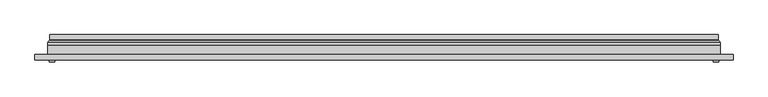
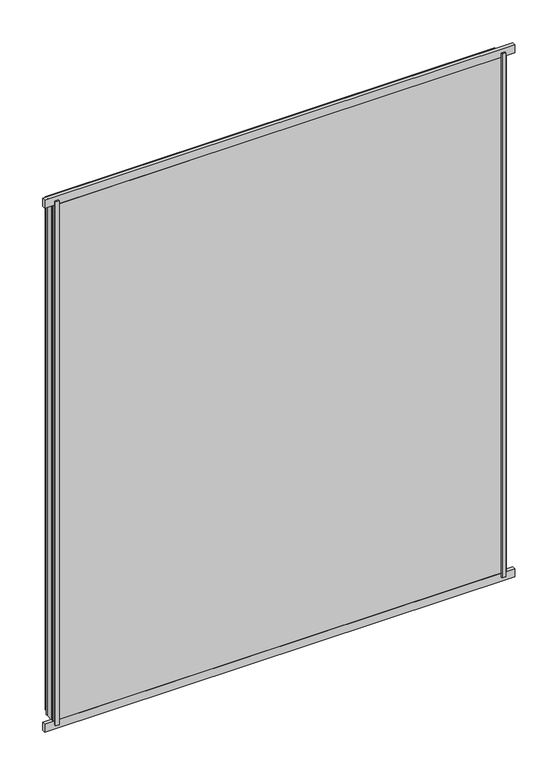
"""IFC4 building model written with IfcOpenShell, lengths in millimetres: plate geometry."""

from ifc_helpers import new_model, si_unit, frame, origin, origin_with_axes, place, context, project, spatial, polyline, ellipse_curve, outline, extrude, source, transform, mapped, element, save
from ifc_brep_helpers import plane_surface, cylinder_surface, revolved_surface, advanced_brep


def plate_3bdf8595(model_context):
    return source(origin(), model_context, "Body", "SolidModel", [
        extrude(outline(polyline([(600.0, -23.0), (610.0, -23.0), (610.0, -27.0), (600.0, -27.0), (600.0, -23.0)])), origin_with_axes(), (0.0, 0.0, 1.0), 1500.0),
        extrude(outline(polyline([(-600.0, -23.0), (-600.0, -27.0), (-610.0, -27.0), (-610.0, -23.0), (-600.0, -23.0)])), origin_with_axes(), (0.0, 0.0, 1.0), 1500.0),
        extrude(outline(polyline([(636.5, -23.0), (-636.5, -23.0), (-636.5, -13.51), (636.5, -13.51), (636.5, -23.0)])), frame((0.0, 0.0, -11.5), z_axis=(0.0, 0.0, 1.0), x_axis=(1.0, 0.0, 0.0)), (0.0, 0.0, 1.0), 23.0),
        extrude(outline(polyline([(636.5, -23.0), (-636.5, -23.0), (-636.5, -13.51), (636.5, -13.51), (636.5, -23.0)])), frame((0.0, 0.0, 1488.5), z_axis=(0.0, 0.0, 1.0), x_axis=(1.0, 0.0, 0.0)), (0.0, 0.0, 1.0), 23.0),
        extrude(outline(polyline([(11.5, -613.5), (11.5, 613.5), (1488.5, 613.5), (1488.5, -613.5), (11.5, -613.5)]), holes=[polyline([(33.5, 591.5), (33.5, -591.5), (1466.5, -591.5), (1466.5, 591.5), (33.5, 591.5)])]), frame((0.0, -17.0, 0.0), z_axis=(0.0, 1.0, 0.0), x_axis=(0.0, 0.0, 1.0)), (0.0, 0.0, 1.0), 20.0),
        extrude(outline(polyline([(33.5, -591.5), (33.5, 591.5), (1466.5, 591.5), (1466.5, -591.5), (33.5, -591.5)]), holes=[polyline([(38.5, 586.5), (38.5, -586.5), (1461.5, -586.5), (1461.5, 586.5), (38.5, 586.5)])]), frame((0.0, -17.0, 0.0), z_axis=(0.0, 1.0, 0.0), x_axis=(0.0, 0.0, 1.0)), (0.0, 0.0, 1.0), 20.0),
        extrude(outline(polyline([(613.5, 9.0), (613.5, 3.0), (-613.5, 3.0), (-613.5, 9.0), (613.5, 9.0)])), frame((0.0, 0.0, 11.5), z_axis=(0.0, 0.0, 1.0), x_axis=(1.0, 0.0, 0.0)), (0.0, 0.0, 1.0), 1477.0),
        extrude(outline(polyline([(-613.5, -23.0), (-613.5, -17.0), (613.5, -17.0), (613.5, -23.0), (-613.5, -23.0)])), frame((0.0, 0.0, 11.5), z_axis=(0.0, 0.0, 1.0), x_axis=(1.0, 0.0, 0.0)), (0.0, 0.0, 1.0), 1477.0),
        advanced_brep(
        [(-609.0, 23.0, 16.0), (609.0, 23.0, 16.0), (609.0, 13.9230471, 16.0), (-609.0, 13.9230471, 16.0), (-600.0, 12.9110883, 25.0), (600.0, 12.9110883, 25.0), (600.0, 23.0, 25.0), (-600.0, 23.0, 25.0), (609.0, 23.0, 1484.0), (609.0, 13.9230471, 1484.0), (600.0, 12.9110883, 1475.0), (600.0, 23.0, 1475.0), (-609.0, 23.0, 1484.0), (-609.0, 13.9230471, 1484.0), (-600.0, 12.9110883, 1475.0), (-600.0, 23.0, 1475.0), (-610.2540757, 9.0, 14.7459243), (610.2540757, 9.0, 14.7459243), (610.2540757, 9.0, 1485.2540757), (-610.2540757, 9.0, 1485.2540757), (599.7, 9.0, 25.3), (-599.7, 9.0, 25.3), (-599.7, 9.0, 1474.7), (599.7, 9.0, 1474.7), (-599.0625, 11.2166581, 25.9375), (599.0625, 11.2166581, 25.9375), (-610.5737576, 11.9689955, 14.4262425), (610.5737576, 11.9689955, 14.4262425), (599.0625, 11.2166581, 1474.0625), (610.5737576, 11.9689955, 1485.5737575), (-599.0625, 11.2166581, 1474.0625), (-610.5737576, 11.9689955, 1485.5737575)],
        [
            (0, 1),
            (1, 2),
            (2, 3),
            (3, 0),
            (4, 5),
            (5, 6),
            (6, 7),
            (7, 4),
            (1, 8),
            (8, 9),
            (9, 2),
            (5, 10),
            (10, 11),
            (11, 6),
            (8, 12),
            (12, 13),
            (13, 9),
            (10, 14),
            (14, 15),
            (15, 11),
            (16, 17),
            (17, 18),
            (18, 19),
            (19, 16),
            (20, 21),
            (21, 22),
            (22, 23),
            (23, 20),
            (12, 0),
            (3, 13),
            (15, 7),
            (14, 4),
            (24, 25),
            (25, 5, ellipse_curve(frame((598.0, 12.9110883, 27.0), z_axis=(0.7071067811865475, 0.0, 0.7071067811865475), x_axis=(0.7071067811865476, 0.0, -0.7071067811865474)), 2.8284271, 2.0)),
            (4, 24, ellipse_curve(frame((-598.0, 12.9110883, 27.0), z_axis=(-0.7071067811865475, 0.0, 0.7071067811865475), x_axis=(0.7071067811865476, 0.0, 0.7071067811865474)), 2.8284271, 2.0)),
            (20, 25, ellipse_curve(frame((599.7, 10.2, 25.3), z_axis=(-0.7071067811865475, 0.0, -0.7071067811865475), x_axis=(-0.7071067811865476, 0.0, 0.7071067811865474)), 1.6970563, 1.2)),
            (24, 21, ellipse_curve(frame((-599.7, 10.2, 25.3), z_axis=(0.7071067811865475, 0.0, -0.7071067811865475), x_axis=(-0.7071067811865476, 0.0, -0.7071067811865474)), 1.6970563, 1.2)),
            (26, 27),
            (27, 17, ellipse_curve(frame((610.2540757, 10.5034569, 14.7459243), z_axis=(-0.7071067811865475, 0.0, -0.7071067811865475), x_axis=(-0.7071067811865476, 0.0, 0.7071067811865474)), 2.1213203, 1.5)),
            (16, 26, ellipse_curve(frame((-610.2540757, 10.5034569, 14.7459243), z_axis=(0.7071067811865475, 0.0, -0.7071067811865475), x_axis=(-0.7071067811865476, 0.0, -0.7071067811865474)), 2.1213203, 1.5)),
            (25, 28),
            (28, 10, ellipse_curve(frame((598.0, 12.9110883, 1473.0), z_axis=(-0.7071067811865475, 0.0, 0.7071067811865475), x_axis=(0.7071067811865474, 0.0, 0.7071067811865476)), 2.8284271, 2.0)),
            (23, 28, ellipse_curve(frame((599.7, 10.2, 1474.7), z_axis=(0.7071067811865475, 0.0, -0.7071067811865475), x_axis=(-0.7071067811865474, 0.0, -0.7071067811865476)), 1.6970563, 1.2)),
            (27, 29),
            (29, 18, ellipse_curve(frame((610.2540757, 10.5034569, 1485.2540757), z_axis=(0.7071067811865475, 0.0, -0.7071067811865475), x_axis=(-0.7071067811865474, 0.0, -0.7071067811865476)), 2.1213203, 1.5)),
            (28, 30),
            (30, 14, ellipse_curve(frame((-598.0, 12.9110883, 1473.0), z_axis=(-0.7071067811865475, 0.0, -0.7071067811865475), x_axis=(-0.7071067811865476, 0.0, 0.7071067811865474)), 2.8284271, 2.0)),
            (22, 30, ellipse_curve(frame((-599.7, 10.2, 1474.7), z_axis=(0.7071067811865475, 0.0, 0.7071067811865475), x_axis=(0.7071067811865476, 0.0, -0.7071067811865474)), 1.6970563, 1.2)),
            (29, 31),
            (31, 19, ellipse_curve(frame((-610.2540757, 10.5034569, 1485.2540757), z_axis=(0.7071067811865475, 0.0, 0.7071067811865475), x_axis=(0.7071067811865476, 0.0, -0.7071067811865474)), 2.1213203, 1.5)),
            (30, 24),
            (31, 26),
            (2, 27, ellipse_curve(frame((611.0, 13.9230471, 14.0), z_axis=(0.7071067811865475, 0.0, 0.7071067811865475), x_axis=(0.7071067811865476, 0.0, -0.7071067811865474)), 2.8284271, 2.0)),
            (26, 3, ellipse_curve(frame((-611.0, 13.9230471, 14.0), z_axis=(-0.7071067811865475, 0.0, 0.7071067811865475), x_axis=(0.7071067811865476, 0.0, 0.7071067811865474)), 2.8284271, 2.0)),
            (9, 29, ellipse_curve(frame((611.0, 13.9230471, 1486.0), z_axis=(-0.7071067811865475, 0.0, 0.7071067811865475), x_axis=(0.7071067811865474, 0.0, 0.7071067811865476)), 2.8284271, 2.0)),
            (13, 31, ellipse_curve(frame((-611.0, 13.9230471, 1486.0), z_axis=(-0.7071067811865475, 0.0, -0.7071067811865475), x_axis=(-0.7071067811865476, 0.0, 0.7071067811865474)), 2.8284271, 2.0)),
        ],
        [
            plane_surface(frame((-609.0, 13.9230471, 16.0), z_axis=(0.0, 0.0, -1.0), x_axis=(1.0, 0.0, 0.0))),
            plane_surface(frame((-600.0, 23.0, 25.0), z_axis=(0.0, 0.0, 1.0), x_axis=(1.0, 0.0, 0.0))),
            plane_surface(frame((609.0, 13.9230471, 16.0), z_axis=(1.0, 0.0, 0.0), x_axis=(0.0, 0.0, 1.0))),
            plane_surface(frame((600.0, 23.0, 25.0), z_axis=(-1.0, 0.0, 0.0), x_axis=(0.0, 0.0, 1.0))),
            plane_surface(frame((609.0, 13.9230471, 1484.0), z_axis=(0.0, 0.0, 1.0), x_axis=(-1.0, 0.0, 0.0))),
            plane_surface(frame((600.0, 23.0, 1475.0), z_axis=(0.0, 0.0, -1.0), x_axis=(-1.0, 0.0, 0.0))),
            plane_surface(frame((-599.7, 9.0, 1474.7), z_axis=(0.0, -1.0, 0.0), x_axis=(0.0, 0.0, -1.0))),
            plane_surface(frame((-609.0, 13.9230471, 1484.0), z_axis=(-1.0, 0.0, 0.0), x_axis=(0.0, 0.0, -1.0))),
            plane_surface(frame((-609.0, 23.0, 1484.0), z_axis=(0.0, 1.0, 0.0), x_axis=(0.0, 0.0, -1.0))),
            plane_surface(frame((-600.0, 23.0, 1475.0), z_axis=(1.0, 0.0, 0.0), x_axis=(0.0, 0.0, -1.0))),
            revolved_surface(polyline([(600.0, 10.9110883, 27.0), (-600.0, 10.9110883, 27.0)]), (-613.5, 12.9110883, 27.0), (1.0, 0.0, 0.0)),
            cylinder_surface(frame((-613.5, 10.2, 25.3), z_axis=(-1.0, 0.0, 0.0), x_axis=(0.0, -1.0, 0.0)), 1.2),
            cylinder_surface(frame((-613.5, 10.5034569, 14.7459243), z_axis=(-1.0, 0.0, 0.0), x_axis=(0.0, -1.0, 0.0)), 1.5),
            revolved_surface(polyline([(598.0, 10.9110883, 1475.0), (598.0, 10.9110883, 25.0)]), (598.0, 12.9110883, 11.5), (0.0, 0.0, 1.0)),
            cylinder_surface(frame((599.7, 10.2, 11.5), z_axis=(0.0, 0.0, -1.0), x_axis=(0.0, -1.0, 0.0)), 1.2),
            cylinder_surface(frame((610.2540757, 10.5034569, 11.5), z_axis=(0.0, 0.0, -1.0), x_axis=(0.0, -1.0, 0.0)), 1.5),
            revolved_surface(polyline([(-600.0, 10.9110883, 1473.0), (600.0, 10.9110883, 1473.0)]), (613.5, 12.9110883, 1473.0), (-1.0, 0.0, 0.0)),
            cylinder_surface(frame((613.5, 10.2, 1474.7), z_axis=(1.0, 0.0, 0.0), x_axis=(0.0, -1.0, 0.0)), 1.2),
            cylinder_surface(frame((613.5, 10.5034569, 1485.2540757), z_axis=(1.0, 0.0, 0.0), x_axis=(0.0, -1.0, 0.0)), 1.5),
            revolved_surface(polyline([(-598.0, 10.9110883, 25.0), (-598.0, 10.9110883, 1475.0)]), (-598.0, 12.9110883, 1488.5), (0.0, 0.0, -1.0)),
            cylinder_surface(frame((-599.7, 10.2, 1488.5), z_axis=(0.0, 0.0, 1.0), x_axis=(0.0, -1.0, 0.0)), 1.2),
            cylinder_surface(frame((-610.2540757, 10.5034569, 1488.5), z_axis=(0.0, 0.0, 1.0), x_axis=(0.0, -1.0, 0.0)), 1.5),
            revolved_surface(polyline([(612.9999999825018, 11.9230471, 14.0), (-612.9999999825018, 11.9230471, 14.0)]), (-613.5, 13.9230471, 14.0), (1.0, 0.0, 0.0)),
            revolved_surface(polyline([(611.0, 11.9230471, 1487.9999999825018), (611.0, 11.9230471, 12.000000017498198)]), (611.0, 13.9230471, 11.5), (0.0, 0.0, 1.0)),
            revolved_surface(polyline([(-612.9999999825018, 11.9230471, 1486.0), (612.9999999825018, 11.9230471, 1486.0)]), (613.5, 13.9230471, 1486.0), (-1.0, 0.0, 0.0)),
            revolved_surface(polyline([(-611.0, 11.9230471, 12.000000017498223), (-611.0, 11.9230471, 1487.9999999825018)]), (-611.0, 13.9230471, 1488.5), (0.0, 0.0, -1.0)),
        ],
        [
            (0, [[1, 2, 3, 4]]),
            (1, [[5, 6, 7, 8]]),
            (2, [[9, 10, 11, -2]]),
            (3, [[12, 13, 14, -6]]),
            (4, [[15, 16, 17, -10]]),
            (5, [[18, 19, 20, -13]]),
            (6, [[21, 22, 23, 24], [25, 26, 27, 28]]),
            (7, [[29, -4, 30, -16]]),
            (8, [[-1, -29, -15, -9], [-7, -14, -20, 31]]),
            (9, [[32, -8, -31, -19]]),
            (10, [[33, 34, -5, 35]]),
            (11, [[-25, 36, -33, 37]]),
            (12, [[38, 39, -21, 40]]),
            (13, [[41, 42, -12, -34]]),
            (14, [[-28, 43, -41, -36]]),
            (15, [[44, 45, -22, -39]]),
            (16, [[46, 47, -18, -42]]),
            (17, [[-27, 48, -46, -43]]),
            (18, [[49, 50, -23, -45]]),
            (19, [[51, -35, -32, -47]]),
            (20, [[-26, -37, -51, -48]]),
            (21, [[52, -40, -24, -50]]),
            (22, [[-3, 53, -38, 54]]),
            (23, [[-11, 55, -44, -53]]),
            (24, [[-17, 56, -49, -55]]),
            (25, [[-30, -54, -52, -56]]),
        ],
    ),
    ])


if __name__ == "__main__":
    model = new_model("IFC4")
    model_context = context("Model", 3, world=origin())
    ifc_project = project(units=[si_unit("LENGTHUNIT", "METRE", prefix="MILLI")], contexts=[model_context])
    site = spatial("IfcSite", under=ifc_project)
    building = spatial("IfcBuilding", under=site)
    placement = place(None, origin())
    plate_shape = plate_3bdf8595(model_context)
    element("IfcPlate", 1, at=placement, inside=building, context=model_context, shape_type="MappedRepresentation", body=[
        mapped(plate_shape, transform((0.0, 0.0, 0.0), x_axis=(1.0, 0.0, 0.0), y_axis=(0.0, 1.0, 0.0), z_axis=(0.0, 0.0, 1.0))),
    ])
    save(model, "model.ifc")
